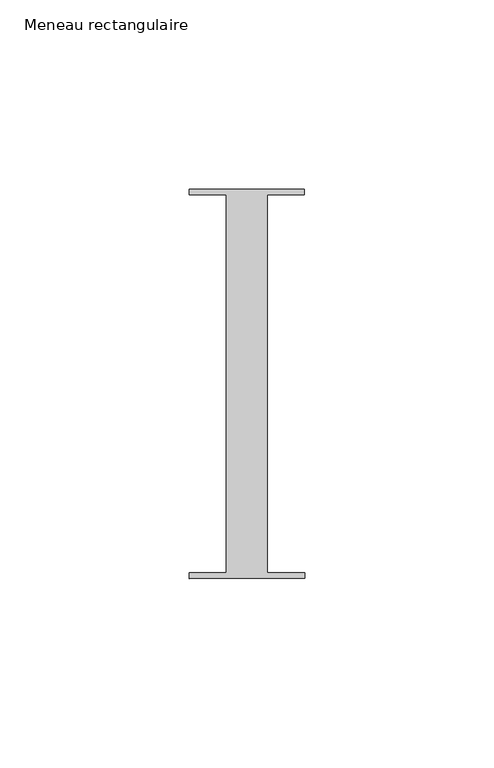
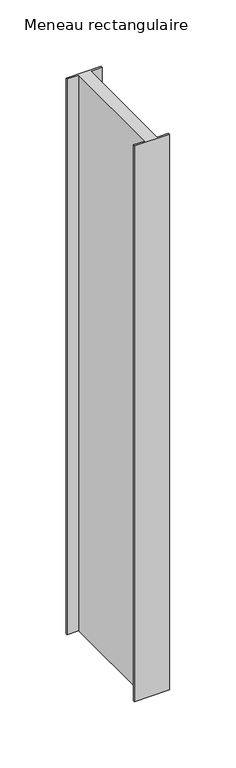
"""IFC4 building model written with IfcOpenShell, lengths in millimetres: member geometry, Meneau rectangulaire."""

import ifcopenshell
import ifcopenshell.guid

model = None  # the IFC model being written
_history = None  # IfcOwnerHistory: only IFC2X3 demands one
_inside = {}  # id of a spatial element -> (the spatial element, [elements in it])
_under = {}  # id of a project, library or spatial element -> (it, [spatial elements below it])
_declared = {}  # id of a project -> (the project, [libraries it declares])
_typed = {}  # id of a type object -> (the type object, [elements of that type])
_made_of = {}  # id of a material, layer set ... -> (it, [elements and type objects made of it])


def new_model(schema):
    """Start an empty IFC model of exactly this schema.

    Asked for "IFC4X3", IfcOpenShell would pick the latest addendum, in which some entities
    have other attributes; the version numbers below select the first issue.
    IFC2X3 requires an IfcOwnerHistory on every rooted entity: one is made here for all.
    """
    global model, _history
    if schema == "IFC4X3":
        model = ifcopenshell.file(schema_version=(4, 3, 0, 0))
    else:
        model = ifcopenshell.file(schema=schema)
    _inside.clear()
    _under.clear()
    _declared.clear()
    _typed.clear()
    _made_of.clear()
    _history = None
    if model.schema == "IFC2X3":
        org = make("IfcOrganization", Name="unknown")
        user = make(
            "IfcPersonAndOrganization",
            ThePerson=make("IfcPerson", FamilyName="unknown"),
            TheOrganization=org,
        )
        app = make(
            "IfcApplication",
            ApplicationDeveloper=org,
            Version="unknown",
            ApplicationFullName="unknown",
            ApplicationIdentifier="unknown",
        )
        _history = make(
            "IfcOwnerHistory",
            OwningUser=user,
            OwningApplication=app,
            ChangeAction="ADDED",
            CreationDate=0,
        )
    return model


def make(cls, **values):
    """One entity of the class cls with the attributes given. An attribute that is None is left unset."""
    return model.create_entity(
        cls, **{name: value for name, value in values.items() if value is not None}
    )


def rooted(cls, **values):
    """An entity with a GlobalId (a new one), such as an element, a storey or a relation."""
    return make(cls, GlobalId=ifcopenshell.guid.new(), OwnerHistory=_history, **values)


def si_unit(unit_type, name, prefix=None):
    """IfcSIUnit, for example si_unit("LENGTHUNIT", "METRE", prefix="MILLI")."""
    return make("IfcSIUnit", UnitType=unit_type, Prefix=prefix, Name=name)


def assignment(units):
    """IfcUnitAssignment: the units of a project."""
    return None if units is None else make("IfcUnitAssignment", Units=units)


def point(xyz):
    """IfcCartesianPoint."""
    return None if xyz is None else make("IfcCartesianPoint", Coordinates=xyz)


def direction(xyz):
    """IfcDirection."""
    return None if xyz is None else make("IfcDirection", DirectionRatios=xyz)


def frame(location, z_axis=None, x_axis=None):
    """IfcAxis2Placement3D, a coordinate frame: its origin and axes. An axis left out is left unset."""
    return make(
        "IfcAxis2Placement3D",
        Location=point(location),
        Axis=direction(z_axis),
        RefDirection=direction(x_axis),
    )


def origin():
    """The frame at (0, 0, 0) with its axes left unset."""
    return frame((0.0, 0.0, 0.0))


def place(relative_to, where):
    """IfcLocalPlacement: puts the frame where relative to a parent placement (None: the world)."""
    return make(
        "IfcLocalPlacement", PlacementRelTo=relative_to, RelativePlacement=where
    )


def context(
    kind, dimensions, precision=None, world=None, true_north=None, identifier=None
):
    """IfcGeometricRepresentationContext, for example the 3D "Model" context."""
    return make(
        "IfcGeometricRepresentationContext",
        ContextIdentifier=identifier,
        ContextType=kind,
        CoordinateSpaceDimension=dimensions,
        Precision=precision,
        WorldCoordinateSystem=world,
        TrueNorth=true_north,
    )


def project(units=None, contexts=None):
    """IfcProject with its units and contexts."""
    return rooted(
        "IfcProject",
        Name="project",
        RepresentationContexts=contexts,
        UnitsInContext=assignment(units),
    )


def spatial(cls, under=None, at=None, **own):
    """A site, building, storey or space (cls), placed at a placement, below another one or the project."""
    s = rooted(cls, ObjectPlacement=at, **own)
    if under is not None:
        _under.setdefault(under.id(), (under, []))[1].append(s)
    return s


def polyline(points):
    """IfcPolyline through the points."""
    return make("IfcPolyline", Points=[point(p) for p in points])


def outline(outer, holes=None, kind="AREA"):
    """IfcArbitraryClosedProfileDef: a profile drawn as a closed curve; with holes, ...WithVoids."""
    if holes is None:
        return make("IfcArbitraryClosedProfileDef", ProfileType=kind, OuterCurve=outer)
    return make(
        "IfcArbitraryProfileDefWithVoids",
        ProfileType=kind,
        OuterCurve=outer,
        InnerCurves=holes,
    )


def extrude(swept, where, along, depth):
    """IfcExtrudedAreaSolid: the profile swept, set in the frame where, extruded along a direction by depth."""
    return make(
        "IfcExtrudedAreaSolid",
        SweptArea=swept,
        Position=where,
        ExtrudedDirection=direction(along),
        Depth=depth,
    )


def shape(context_of_items, identifier, shape_type, items):
    """IfcShapeRepresentation: the items that make up one representation, for example the "Body"."""
    return make(
        "IfcShapeRepresentation",
        ContextOfItems=context_of_items,
        RepresentationIdentifier=identifier,
        RepresentationType=shape_type,
        Items=items,
    )


def source(mapping_origin, context_of_items, identifier, shape_type, items):
    """IfcRepresentationMap: a shape defined once, which mapped items show again and again."""
    return make(
        "IfcRepresentationMap",
        MappingOrigin=mapping_origin,
        MappedRepresentation=shape(context_of_items, identifier, shape_type, items),
    )


def transform(
    local_origin,
    x_axis=None,
    y_axis=None,
    z_axis=None,
    scale=None,
    scale2=None,
    scale3=None,
    uniform=True,
):
    """IfcCartesianTransformationOperator3D, or its non-uniform kind. x_axis, y_axis, z_axis: its Axis1, 2, 3."""
    if uniform:
        return make(
            "IfcCartesianTransformationOperator3D",
            Axis1=direction(x_axis),
            Axis2=direction(y_axis),
            LocalOrigin=point(local_origin),
            Scale=scale,
            Axis3=direction(z_axis),
        )
    return make(
        "IfcCartesianTransformationOperator3DnonUniform",
        Axis1=direction(x_axis),
        Axis2=direction(y_axis),
        LocalOrigin=point(local_origin),
        Scale=scale,
        Axis3=direction(z_axis),
        Scale2=scale2,
        Scale3=scale3,
    )


def mapped(mapping_source, mapping_target):
    """IfcMappedItem: shows the shape of a source again, moved by a transform."""
    return make(
        "IfcMappedItem", MappingSource=mapping_source, MappingTarget=mapping_target
    )


def made_of(thing, what):
    """Note that an element or type object is made of a material, layer set ...; save() writes the relation."""
    if what is not None:
        _made_of.setdefault(what.id(), (what, []))[1].append(thing)
    return thing


def element(
    cls,
    number,
    at=None,
    inside=None,
    cuts=None,
    type_object=None,
    material=None,
    context=None,
    identifier="Body",
    shape_type=None,
    held_by="IfcProductDefinitionShape",
    body=None,
    shapes=None,
    **own,
):
    """One element of the class cls, such as IfcWall. Its Tag is "e" and its number.

    at: its placement. inside: the storey or other place that contains it. cuts: it is an
    opening in that element (IfcRelVoidsElement). A single representation is given by context,
    identifier, shape_type and body (its items); several are given by shapes. held_by: the class
    of the entity that holds the representations. save() writes the other relations.
    """
    e = rooted(cls, Tag="e%d" % number, ObjectPlacement=at, **own)
    if body is not None:
        shapes = [shape(context, identifier, shape_type, body)]
    if shapes is not None:
        e.Representation = make(held_by, Representations=shapes)
    if inside is not None:
        _inside.setdefault(inside.id(), (inside, []))[1].append(e)
    if cuts is not None:
        rooted(
            "IfcRelVoidsElement", RelatingBuildingElement=cuts, RelatedOpeningElement=e
        )
    if type_object is not None:
        _typed.setdefault(type_object.id(), (type_object, []))[1].append(e)
    return made_of(e, material)


def aggregate(whole, parts):
    """IfcRelAggregates: a whole, such as a stair, and the parts it consists of."""
    return rooted("IfcRelAggregates", RelatingObject=whole, RelatedObjects=parts)


def save(model, path):
    """Write the relations noted so far, then the file.

    IfcRelAggregates (storeys below a building ...), IfcRelContainedInSpatialStructure (elements
    in a storey), IfcRelDefinesByType, IfcRelAssociatesMaterial and IfcRelDeclares: one each for
    every whole, place, type object, material and project.
    """
    for whole, parts in _under.values():
        aggregate(whole, parts)
    for where, things in _inside.values():
        rooted(
            "IfcRelContainedInSpatialStructure",
            RelatedElements=things,
            RelatingStructure=where,
        )
    for kind, things in _typed.values():
        rooted("IfcRelDefinesByType", RelatedObjects=things, RelatingType=kind)
    for what, things in _made_of.values():
        rooted("IfcRelAssociatesMaterial", RelatedObjects=things, RelatingMaterial=what)
    for by, libraries in _declared.values():
        rooted("IfcRelDeclares", RelatingContext=by, RelatedDefinitions=libraries)
    model.write(path)


def meneau_rectangulaire_0f708b01(model_context):
    return source(origin(), model_context, "Body", "SweptSolid", [
        extrude(outline(polyline([(15.1919193, 51.5152664), (15.1934333, 50.0054494), (5.4028486, 50.0054494), (5.4028486, -49.9846825), (15.2937013, -49.9846825), (15.2952055, -51.4846817), (-15.2047792, -51.5152664), (-15.2062834, -50.0152672), (-5.4194144, -50.0152672), (-5.4194144, 49.9942223), (-15.3065707, 49.9942223), (-15.3080653, 51.4846817), (15.1919193, 51.5152664)])), frame((0.0, 0.0, -511.3519403), z_axis=(0.0, 0.0, 1.0), x_axis=(1.0, 0.0, 0.0)), (0.0, 0.0, 1.0), 511.3519403),
    ])


if __name__ == "__main__":
    model = new_model("IFC4")
    model_context = context("Model", 3, world=origin())
    ifc_project = project(units=[si_unit("LENGTHUNIT", "METRE", prefix="MILLI")], contexts=[model_context])
    site = spatial("IfcSite", under=ifc_project)
    building = spatial("IfcBuilding", under=site)
    placement = place(None, origin())
    meneau_rectangulaire_shape = meneau_rectangulaire_0f708b01(model_context)
    element("IfcMember", 1, ObjectType="Meneau rectangulaire", at=placement, inside=building, context=model_context, shape_type="MappedRepresentation", body=[
        mapped(meneau_rectangulaire_shape, transform((0.0, 0.0, 0.0), x_axis=(1.0, 0.0, 0.0), y_axis=(0.0, 1.0, 0.0), z_axis=(0.0, 0.0, 1.0))),
    ])
    save(model, "model.ifc")
